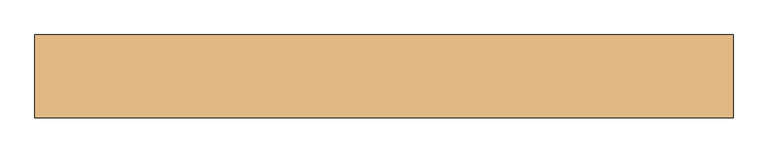
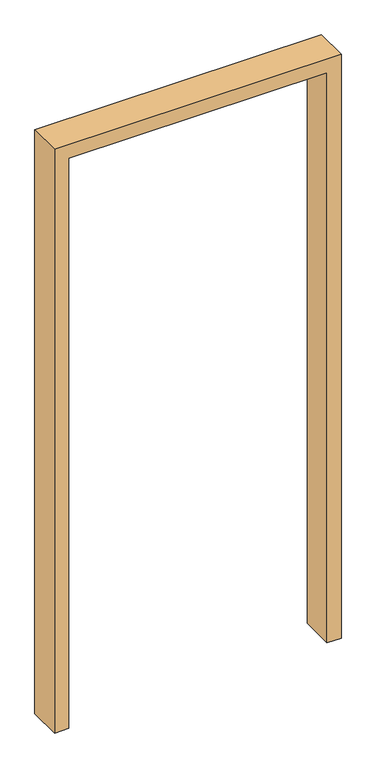
"""IFC4 building model written with IfcOpenShell, lengths in millimetres: door geometry."""

from ifc_helpers import new_model, si_unit, frame, origin, place, context, project, spatial, polyline, outline, extrude, source, transform, mapped, element, save


def door_8cc1f9bb(model_context):
    return source(origin(), model_context, "Body", "SweptSolid", [
        extrude(outline(polyline([(0.0, 2039.2906968), (0.0, 2090.0906968), (2184.4, 2090.0906968), (2184.4, 1074.0906968), (0.0, 1074.0906968), (0.0, 1124.8906968), (2133.6, 1124.8906968), (2133.6, 2039.2906968), (0.0, 2039.2906968)])), frame((0.0, -922.9660438, 0.0), z_axis=(0.0, 1.0, 0.0), x_axis=(0.0, 0.0, 1.0)), (0.0, 0.0, 1.0), 120.65),
    ])


if __name__ == "__main__":
    model = new_model("IFC4")
    model_context = context("Model", 3, world=origin())
    ifc_project = project(units=[si_unit("LENGTHUNIT", "METRE", prefix="MILLI")], contexts=[model_context])
    site = spatial("IfcSite", under=ifc_project)
    building = spatial("IfcBuilding", under=site)
    placement = place(None, origin())
    door_shape = door_8cc1f9bb(model_context)
    element("IfcDoor", 1, at=placement, inside=building, context=model_context, shape_type="MappedRepresentation", body=[
        mapped(door_shape, transform((0.0, 0.0, 0.0), x_axis=(1.0, 0.0, 0.0), y_axis=(0.0, 1.0, 0.0), z_axis=(0.0, 0.0, 1.0))),
    ])
    save(model, "model.ifc")
